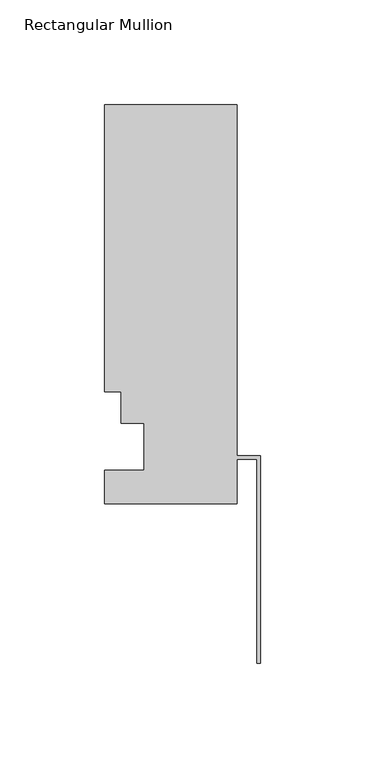
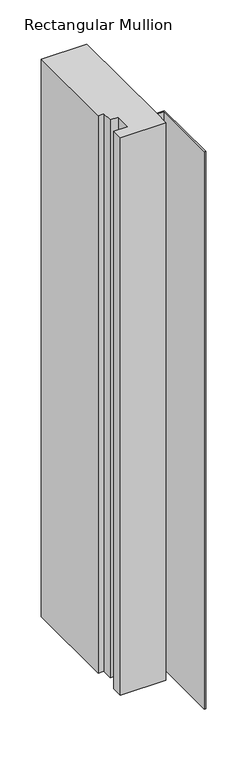
"""IFC4 building model written with IfcOpenShell, lengths in millimetres: member geometry, Rectangular Mullion."""

from ifc_helpers import new_model, si_unit, frame, origin, place, context, project, spatial, polyline, outline, extrude, source, transform, mapped, element, save


def rectangular_mullion_d04e48cd(model_context):
    return source(origin(), model_context, "Body", "SweptSolid", [
        extrude(outline(polyline([(-11.113262, 152.4992187), (-11.113262, -15.4201813), (0.0, -15.4201813), (0.0, -114.4859488), (-1.5748, -114.4859488), (-1.5748, -16.9949813), (-11.113262, -16.9949813), (-11.113262, -38.2547813), (-74.613262, -38.2547813), (-74.613262, -22.3797813), (-55.563262, -22.3797813), (-55.563262, 0.0992187), (-66.688462, 0.0992187), (-66.688462, 15.1614187), (-74.613262, 15.1614187), (-74.613262, 152.4992187), (-11.113262, 152.4992187)])), frame((0.0, 0.0, -821.7872584), z_axis=(0.0, 0.0, 1.0), x_axis=(1.0, 0.0, 0.0)), (0.0, 0.0, 1.0), 821.7872584),
    ])


if __name__ == "__main__":
    model = new_model("IFC4")
    model_context = context("Model", 3, world=origin())
    ifc_project = project(units=[si_unit("LENGTHUNIT", "METRE", prefix="MILLI")], contexts=[model_context])
    site = spatial("IfcSite", under=ifc_project)
    building = spatial("IfcBuilding", under=site)
    placement = place(None, origin())
    rectangular_mullion_shape = rectangular_mullion_d04e48cd(model_context)
    element("IfcMember", 1, ObjectType="Rectangular Mullion", at=placement, inside=building, context=model_context, shape_type="MappedRepresentation", body=[
        mapped(rectangular_mullion_shape, transform((0.0, 0.0, 0.0), x_axis=(1.0, 0.0, 0.0), y_axis=(0.0, 1.0, 0.0), z_axis=(0.0, 0.0, 1.0))),
    ])
    save(model, "model.ifc")
